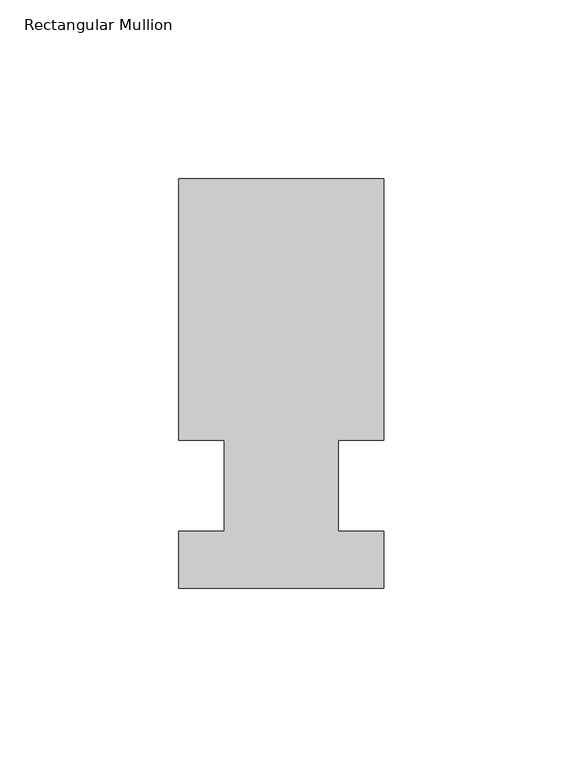
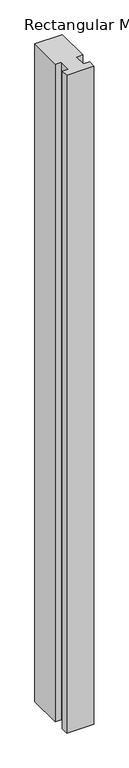
"""IFC4 building model written with IfcOpenShell, lengths in millimetres: member geometry, Rectangular Mullion."""

from ifc_helpers import new_model, si_unit, frame, origin, place, context, project, spatial, polyline, outline, extrude, source, transform, mapped, element, save


def rectangular_mullion_02f70a95(model_context):
    return source(origin(), model_context, "Body", "SweptSolid", [
        extrude(outline(polyline([(32.9094027, 85.725), (32.9094027, 12.7), (20.2076322, 12.7), (20.2076322, -12.7), (32.9094027, -12.7), (32.9094027, -28.575), (-24.2405973, -28.575), (-24.2405973, -12.7), (-11.5405973, -12.7), (-11.5405973, 12.7), (-24.2405973, 12.7), (-24.2405973, 85.725), (32.9094027, 85.725)])), frame((0.0, 0.0, -1449.9166667), z_axis=(0.0, 0.0, 1.0), x_axis=(1.0, 0.0, 0.0)), (0.0, 0.0, 1.0), 1449.9166667),
    ])


if __name__ == "__main__":
    model = new_model("IFC4")
    model_context = context("Model", 3, world=origin())
    ifc_project = project(units=[si_unit("LENGTHUNIT", "METRE", prefix="MILLI")], contexts=[model_context])
    site = spatial("IfcSite", under=ifc_project)
    building = spatial("IfcBuilding", under=site)
    placement = place(None, origin())
    rectangular_mullion_shape = rectangular_mullion_02f70a95(model_context)
    element("IfcMember", 1, ObjectType="Rectangular Mullion", at=placement, inside=building, context=model_context, shape_type="MappedRepresentation", body=[
        mapped(rectangular_mullion_shape, transform((0.0, 0.0, 0.0), x_axis=(1.0, 0.0, 0.0), y_axis=(0.0, 1.0, 0.0), z_axis=(0.0, 0.0, 1.0))),
    ])
    save(model, "model.ifc")
